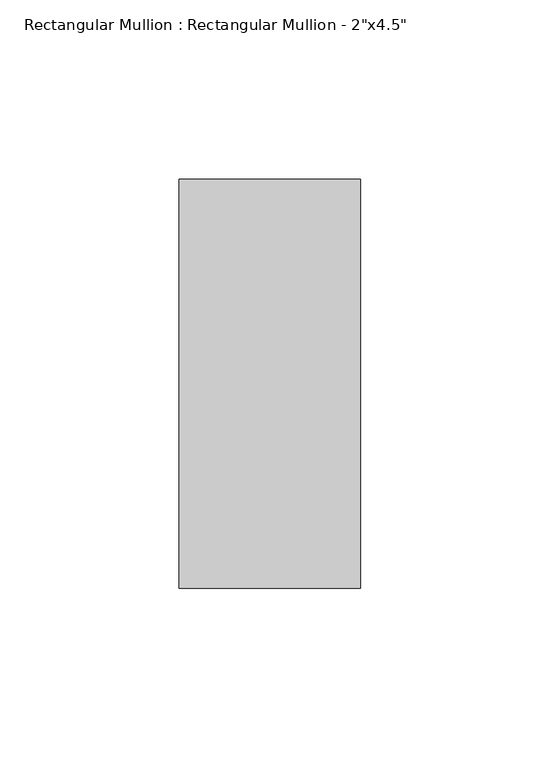
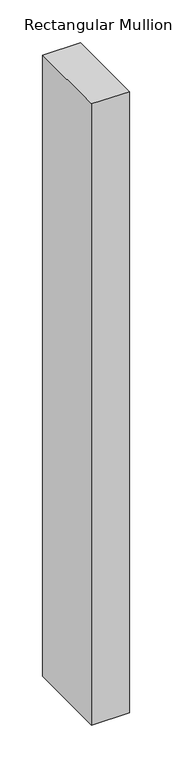
"""IFC4 building model written with IfcOpenShell, lengths in millimetres: member geometry."""

from ifc_helpers import new_model, si_unit, frame, origin, place, context, project, spatial, polyline, outline, extrude, source, transform, mapped, element, save


def member_1fcf34b4(model_context):
    return source(origin(), model_context, "Body", "SweptSolid", [
        extrude(outline(polyline([(0.0, 57.15), (0.0, -57.15), (-50.8, -57.15), (-50.8, 57.15), (0.0, 57.15)])), frame((0.0, 0.0, -884.7666667), z_axis=(0.0, 0.0, 1.0), x_axis=(1.0, 0.0, 0.0)), (0.0, 0.0, 1.0), 884.7666667),
    ])


if __name__ == "__main__":
    model = new_model("IFC4")
    model_context = context("Model", 3, world=origin())
    ifc_project = project(units=[si_unit("LENGTHUNIT", "METRE", prefix="MILLI")], contexts=[model_context])
    site = spatial("IfcSite", under=ifc_project)
    building = spatial("IfcBuilding", under=site)
    placement = place(None, origin())
    member_shape = member_1fcf34b4(model_context)
    element("IfcMember", 1, ObjectType="Rectangular Mullion : Rectangular Mullion - 2\"x4.5\"", at=placement, inside=building, context=model_context, shape_type="MappedRepresentation", body=[
        mapped(member_shape, transform((0.0, 0.0, 0.0), x_axis=(1.0, 0.0, 0.0), y_axis=(0.0, 1.0, 0.0), z_axis=(0.0, 0.0, 1.0))),
    ])
    save(model, "model.ifc")
